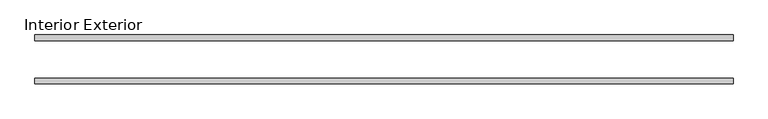
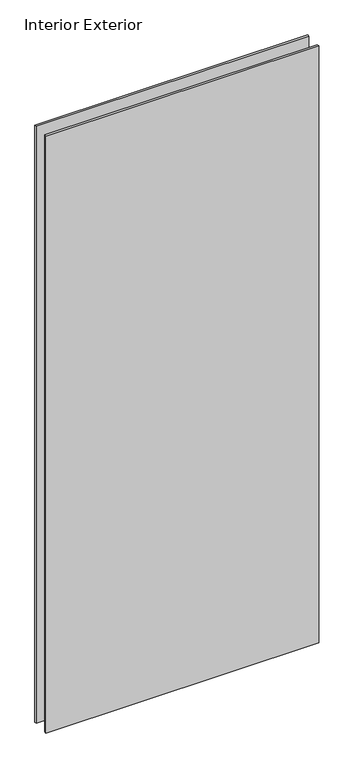
"""IFC4 building model written with IfcOpenShell, lengths in millimetres: plate geometry, Interior Exterior."""

from ifc_helpers import new_model, si_unit, origin, origin_with_axes, place, context, project, spatial, polyline, outline, extrude, source, transform, mapped, element, save


def interior_exterior_abe438eb(model_context):
    return source(origin(), model_context, "Body", "SweptSolid", [
        extrude(outline(polyline([(577.05625, -41.275), (-602.45625, -41.275), (-602.45625, -31.75), (577.05625, -31.75), (577.05625, -41.275)])), origin_with_axes(), (0.0, 0.0, 1.0), 2729.9999996),
        extrude(outline(polyline([(577.05625, 41.275), (577.05625, 31.75), (-602.45625, 31.75), (-602.45625, 41.275), (577.05625, 41.275)])), origin_with_axes(), (0.0, 0.0, 1.0), 2729.9999996),
    ])


if __name__ == "__main__":
    model = new_model("IFC4")
    model_context = context("Model", 3, world=origin())
    ifc_project = project(units=[si_unit("LENGTHUNIT", "METRE", prefix="MILLI")], contexts=[model_context])
    site = spatial("IfcSite", under=ifc_project)
    building = spatial("IfcBuilding", under=site)
    placement = place(None, origin())
    interior_exterior_shape = interior_exterior_abe438eb(model_context)
    element("IfcPlate", 1, ObjectType="Interior Exterior", at=placement, inside=building, context=model_context, shape_type="MappedRepresentation", body=[
        mapped(interior_exterior_shape, transform((0.0, 0.0, 0.0), x_axis=(1.0, 0.0, 0.0), y_axis=(0.0, 1.0, 0.0), z_axis=(0.0, 0.0, 1.0))),
    ])
    save(model, "model.ifc")
